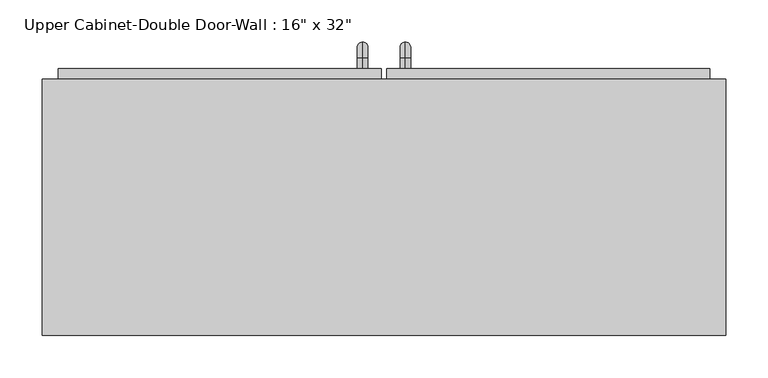
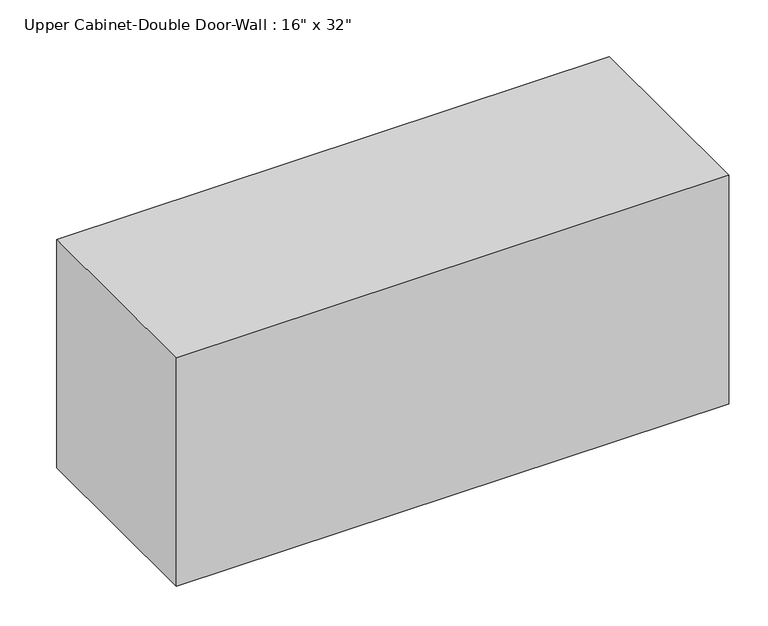
"""IFC4 building model written with IfcOpenShell, lengths in millimetres: furniture geometry."""

import ifcopenshell
import ifcopenshell.guid

model = None  # the IFC model being written
_history = None  # IfcOwnerHistory: only IFC2X3 demands one
_inside = {}  # id of a spatial element -> (the spatial element, [elements in it])
_under = {}  # id of a project, library or spatial element -> (it, [spatial elements below it])
_declared = {}  # id of a project -> (the project, [libraries it declares])
_typed = {}  # id of a type object -> (the type object, [elements of that type])
_made_of = {}  # id of a material, layer set ... -> (it, [elements and type objects made of it])


def new_model(schema):
    """Start an empty IFC model of exactly this schema.

    Asked for "IFC4X3", IfcOpenShell would pick the latest addendum, in which some entities
    have other attributes; the version numbers below select the first issue.
    IFC2X3 requires an IfcOwnerHistory on every rooted entity: one is made here for all.
    """
    global model, _history
    if schema == "IFC4X3":
        model = ifcopenshell.file(schema_version=(4, 3, 0, 0))
    else:
        model = ifcopenshell.file(schema=schema)
    _inside.clear()
    _under.clear()
    _declared.clear()
    _typed.clear()
    _made_of.clear()
    _history = None
    if model.schema == "IFC2X3":
        org = make("IfcOrganization", Name="unknown")
        user = make(
            "IfcPersonAndOrganization",
            ThePerson=make("IfcPerson", FamilyName="unknown"),
            TheOrganization=org,
        )
        app = make(
            "IfcApplication",
            ApplicationDeveloper=org,
            Version="unknown",
            ApplicationFullName="unknown",
            ApplicationIdentifier="unknown",
        )
        _history = make(
            "IfcOwnerHistory",
            OwningUser=user,
            OwningApplication=app,
            ChangeAction="ADDED",
            CreationDate=0,
        )
    return model


def make(cls, **values):
    """One entity of the class cls with the attributes given. An attribute that is None is left unset."""
    return model.create_entity(
        cls, **{name: value for name, value in values.items() if value is not None}
    )


def rooted(cls, **values):
    """An entity with a GlobalId (a new one), such as an element, a storey or a relation."""
    return make(cls, GlobalId=ifcopenshell.guid.new(), OwnerHistory=_history, **values)


def si_unit(unit_type, name, prefix=None):
    """IfcSIUnit, for example si_unit("LENGTHUNIT", "METRE", prefix="MILLI")."""
    return make("IfcSIUnit", UnitType=unit_type, Prefix=prefix, Name=name)


def assignment(units):
    """IfcUnitAssignment: the units of a project."""
    return None if units is None else make("IfcUnitAssignment", Units=units)


def point(xyz):
    """IfcCartesianPoint."""
    return None if xyz is None else make("IfcCartesianPoint", Coordinates=xyz)


def direction(xyz):
    """IfcDirection."""
    return None if xyz is None else make("IfcDirection", DirectionRatios=xyz)


def frame(location, z_axis=None, x_axis=None):
    """IfcAxis2Placement3D, a coordinate frame: its origin and axes. An axis left out is left unset."""
    return make(
        "IfcAxis2Placement3D",
        Location=point(location),
        Axis=direction(z_axis),
        RefDirection=direction(x_axis),
    )


def origin():
    """The frame at (0, 0, 0) with its axes left unset."""
    return frame((0.0, 0.0, 0.0))


def place(relative_to, where):
    """IfcLocalPlacement: puts the frame where relative to a parent placement (None: the world)."""
    return make(
        "IfcLocalPlacement", PlacementRelTo=relative_to, RelativePlacement=where
    )


def context(
    kind, dimensions, precision=None, world=None, true_north=None, identifier=None
):
    """IfcGeometricRepresentationContext, for example the 3D "Model" context."""
    return make(
        "IfcGeometricRepresentationContext",
        ContextIdentifier=identifier,
        ContextType=kind,
        CoordinateSpaceDimension=dimensions,
        Precision=precision,
        WorldCoordinateSystem=world,
        TrueNorth=true_north,
    )


def project(units=None, contexts=None):
    """IfcProject with its units and contexts."""
    return rooted(
        "IfcProject",
        Name="project",
        RepresentationContexts=contexts,
        UnitsInContext=assignment(units),
    )


def spatial(cls, under=None, at=None, **own):
    """A site, building, storey or space (cls), placed at a placement, below another one or the project."""
    s = rooted(cls, ObjectPlacement=at, **own)
    if under is not None:
        _under.setdefault(under.id(), (under, []))[1].append(s)
    return s


def polyline(points):
    """IfcPolyline through the points."""
    return make("IfcPolyline", Points=[point(p) for p in points])


def circle_curve(where, radius):
    """IfcCircle in the frame where."""
    return make("IfcCircle", Position=where, Radius=radius)


def ellipse_curve(where, semi_axis1, semi_axis2):
    """IfcEllipse in the frame where."""
    return make(
        "IfcEllipse", Position=where, SemiAxis1=semi_axis1, SemiAxis2=semi_axis2
    )


def trimmed(basis, trim1, trim2, sense, master):
    """IfcTrimmedCurve: the piece of a basis curve between two trims."""
    return make(
        "IfcTrimmedCurve",
        BasisCurve=basis,
        Trim1=trim1,
        Trim2=trim2,
        SenseAgreement=sense,
        MasterRepresentation=master,
    )


def outline(outer, holes=None, kind="AREA"):
    """IfcArbitraryClosedProfileDef: a profile drawn as a closed curve; with holes, ...WithVoids."""
    if holes is None:
        return make("IfcArbitraryClosedProfileDef", ProfileType=kind, OuterCurve=outer)
    return make(
        "IfcArbitraryProfileDefWithVoids",
        ProfileType=kind,
        OuterCurve=outer,
        InnerCurves=holes,
    )


def extrude(swept, where, along, depth):
    """IfcExtrudedAreaSolid: the profile swept, set in the frame where, extruded along a direction by depth."""
    return make(
        "IfcExtrudedAreaSolid",
        SweptArea=swept,
        Position=where,
        ExtrudedDirection=direction(along),
        Depth=depth,
    )


def faces_of(points, faces, orient=None, outer=None):
    """IfcFace entities. A face is a list of loops; a loop is a list of indices into points, from 0.

    orient and outer hold one flag for each loop. By default every Orientation is true, the
    first loop of a face is its IfcFaceOuterBound and the others are IfcFaceBound.
    """
    made = []
    for i, loops in enumerate(faces):
        bounds = []
        for j, loop in enumerate(loops):
            is_outer = j == 0 if outer is None else outer[i][j]
            bounds.append(
                make(
                    "IfcFaceOuterBound" if is_outer else "IfcFaceBound",
                    Bound=make("IfcPolyLoop", Polygon=[points[k] for k in loop]),
                    Orientation=True if orient is None else orient[i][j],
                )
            )
        made.append(make("IfcFace", Bounds=bounds))
    return made


def faceted_brep(points, faces, orient=None, outer=None, voids=None):
    """IfcFacetedBrep: a solid bounded by flat faces; with voids (closed shells), ...WithVoids."""
    shared = [point(p) for p in points]
    hull = make("IfcClosedShell", CfsFaces=faces_of(shared, faces, orient, outer))
    if voids is None:
        return make("IfcFacetedBrep", Outer=hull)
    return make(
        "IfcFacetedBrepWithVoids",
        Outer=hull,
        Voids=[
            make(cls, CfsFaces=faces_of(shared, fs, o, b)) for cls, fs, o, b in voids
        ],
    )


def shape(context_of_items, identifier, shape_type, items):
    """IfcShapeRepresentation: the items that make up one representation, for example the "Body"."""
    return make(
        "IfcShapeRepresentation",
        ContextOfItems=context_of_items,
        RepresentationIdentifier=identifier,
        RepresentationType=shape_type,
        Items=items,
    )


def source(mapping_origin, context_of_items, identifier, shape_type, items):
    """IfcRepresentationMap: a shape defined once, which mapped items show again and again."""
    return make(
        "IfcRepresentationMap",
        MappingOrigin=mapping_origin,
        MappedRepresentation=shape(context_of_items, identifier, shape_type, items),
    )


def transform(
    local_origin,
    x_axis=None,
    y_axis=None,
    z_axis=None,
    scale=None,
    scale2=None,
    scale3=None,
    uniform=True,
):
    """IfcCartesianTransformationOperator3D, or its non-uniform kind. x_axis, y_axis, z_axis: its Axis1, 2, 3."""
    if uniform:
        return make(
            "IfcCartesianTransformationOperator3D",
            Axis1=direction(x_axis),
            Axis2=direction(y_axis),
            LocalOrigin=point(local_origin),
            Scale=scale,
            Axis3=direction(z_axis),
        )
    return make(
        "IfcCartesianTransformationOperator3DnonUniform",
        Axis1=direction(x_axis),
        Axis2=direction(y_axis),
        LocalOrigin=point(local_origin),
        Scale=scale,
        Axis3=direction(z_axis),
        Scale2=scale2,
        Scale3=scale3,
    )


def mapped(mapping_source, mapping_target):
    """IfcMappedItem: shows the shape of a source again, moved by a transform."""
    return make(
        "IfcMappedItem", MappingSource=mapping_source, MappingTarget=mapping_target
    )


def made_of(thing, what):
    """Note that an element or type object is made of a material, layer set ...; save() writes the relation."""
    if what is not None:
        _made_of.setdefault(what.id(), (what, []))[1].append(thing)
    return thing


def element(
    cls,
    number,
    at=None,
    inside=None,
    cuts=None,
    type_object=None,
    material=None,
    context=None,
    identifier="Body",
    shape_type=None,
    held_by="IfcProductDefinitionShape",
    body=None,
    shapes=None,
    **own,
):
    """One element of the class cls, such as IfcWall. Its Tag is "e" and its number.

    at: its placement. inside: the storey or other place that contains it. cuts: it is an
    opening in that element (IfcRelVoidsElement). A single representation is given by context,
    identifier, shape_type and body (its items); several are given by shapes. held_by: the class
    of the entity that holds the representations. save() writes the other relations.
    """
    e = rooted(cls, Tag="e%d" % number, ObjectPlacement=at, **own)
    if body is not None:
        shapes = [shape(context, identifier, shape_type, body)]
    if shapes is not None:
        e.Representation = make(held_by, Representations=shapes)
    if inside is not None:
        _inside.setdefault(inside.id(), (inside, []))[1].append(e)
    if cuts is not None:
        rooted(
            "IfcRelVoidsElement", RelatingBuildingElement=cuts, RelatedOpeningElement=e
        )
    if type_object is not None:
        _typed.setdefault(type_object.id(), (type_object, []))[1].append(e)
    return made_of(e, material)


def aggregate(whole, parts):
    """IfcRelAggregates: a whole, such as a stair, and the parts it consists of."""
    return rooted("IfcRelAggregates", RelatingObject=whole, RelatedObjects=parts)


def save(model, path):
    """Write the relations noted so far, then the file.

    IfcRelAggregates (storeys below a building ...), IfcRelContainedInSpatialStructure (elements
    in a storey), IfcRelDefinesByType, IfcRelAssociatesMaterial and IfcRelDeclares: one each for
    every whole, place, type object, material and project.
    """
    for whole, parts in _under.values():
        aggregate(whole, parts)
    for where, things in _inside.values():
        rooted(
            "IfcRelContainedInSpatialStructure",
            RelatedElements=things,
            RelatingStructure=where,
        )
    for kind, things in _typed.values():
        rooted("IfcRelDefinesByType", RelatedObjects=things, RelatingType=kind)
    for what, things in _made_of.values():
        rooted("IfcRelAssociatesMaterial", RelatedObjects=things, RelatingMaterial=what)
    for by, libraries in _declared.values():
        rooted("IfcRelDeclares", RelatingContext=by, RelatedDefinitions=libraries)
    model.write(path)


def plane_surface(at):
    """IfcPlane: the flat surface through the origin of the frame at, square to its z axis."""
    return make("IfcPlane", Position=at)


def cylinder_surface(at, radius):
    """IfcCylindricalSurface: all points at the distance radius from the z axis of the frame at."""
    return make("IfcCylindricalSurface", Position=at, Radius=radius)


def revolved_surface(curve, axis_point, axis_direction):
    """IfcSurfaceOfRevolution: the curve turned about the line through axis_point along axis_direction."""
    return make(
        "IfcSurfaceOfRevolution",
        SweptCurve=make("IfcArbitraryOpenProfileDef", ProfileType="CURVE", Curve=curve),
        AxisPosition=make("IfcAxis1Placement", Location=point(axis_point), Axis=direction(axis_direction)),
    )


def advanced_brep(points, edges, surfaces, faces):
    """IfcAdvancedBrep: a solid bounded by faces that lie on surfaces and meet in shared edges.

    An edge is (start, end): straight between two places in points (the first is 0);
    or (start, end, curve); or (start, end, curve, False) where it runs against its curve.
    A face is (place in surfaces, loops), or (place, loops, False) where it looks against
    its surface's normal. A loop lists edges by number (the first is 1), with a minus sign
    where the edge is run from its end to its start. The first loop is the outer one.
    """
    corners = [point(p) for p in points]
    vertices = [make("IfcVertexPoint", VertexGeometry=c) for c in corners]
    made = []
    for start, end, *more in edges:
        made.append(
            make(
                "IfcEdgeCurve",
                EdgeStart=vertices[start],
                EdgeEnd=vertices[end],
                EdgeGeometry=more[0] if more else make("IfcPolyline", Points=[corners[start], corners[end]]),
                SameSense=more[1] if len(more) > 1 else True,
            )
        )
    hull = []
    for where, loops, *sense in faces:
        bounds = []
        for j, loop in enumerate(loops):
            ring = [make("IfcOrientedEdge", EdgeElement=made[abs(k) - 1], Orientation=k > 0) for k in loop]
            bounds.append(
                make(
                    "IfcFaceOuterBound" if j == 0 else "IfcFaceBound",
                    Bound=make("IfcEdgeLoop", EdgeList=ring),
                    Orientation=True,
                )
            )
        hull.append(make("IfcAdvancedFace", Bounds=bounds, FaceSurface=surfaces[where], SameSense=sense[0] if sense else True))
    return make("IfcAdvancedBrep", Outer=make("IfcClosedShell", CfsFaces=hull))


def furniture_abfc2b87(model_context):
    return source(origin(), model_context, "Body", "SolidModel", [
        faceted_brep([(-376.6288372, 53.975, 2133.6), (-376.6288372, 53.975, 1778.0), (436.1711628, 53.975, 1778.0), (436.1711628, 53.975, 2133.6), (-376.6288372, 358.775, 2133.6), (436.1711628, 358.775, 2133.6), (436.1711628, 358.775, 1778.0), (-376.6288372, 358.775, 1778.0), (-357.5788372, 358.775, 2114.55), (-357.5788372, 358.775, 1797.05), (417.1211628, 358.775, 1797.05), (417.1211628, 358.775, 2114.55), (417.1211628, 73.025, 2114.55), (-357.5788372, 73.025, 2114.55), (417.1211628, 73.025, 1797.05), (-357.5788372, 73.025, 1797.05)], [[[0, 1, 2, 3]], [[4, 5, 6, 7], [8, 9, 10, 11]], [[1, 0, 4, 7]], [[2, 1, 7, 6]], [[3, 2, 6, 5]], [[0, 3, 5, 4]], [[8, 11, 12, 13]], [[11, 10, 14, 12]], [[10, 9, 15, 14]], [[9, 8, 13, 15]], [[13, 12, 14, 15]]]),
        advanced_brep(
        [(55.1711628, 371.475, 1924.05), (55.1711628, 371.475, 1936.75), (55.1711628, 384.175, 1924.05), (55.1711628, 384.175, 1936.75), (55.1711628, 403.225, 1917.7), (55.1711628, 390.525, 1917.7), (55.1711628, 390.525, 1841.5), (55.1711628, 403.225, 1841.5), (55.1711628, 384.175, 1822.45), (55.1711628, 384.175, 1835.15), (55.1711628, 371.475, 1835.15), (55.1711628, 371.475, 1822.45)],
        [
            (0, 1, circle_curve(frame((55.1711628, 371.475, 1930.4), z_axis=(0.0, -1.0, 0.0), x_axis=(0.0, 0.0, -1.0)), 6.35)),
            (1, 0, circle_curve(frame((55.1711628, 371.475, 1930.4), z_axis=(0.0, -1.0, 0.0), x_axis=(0.0, 0.0, -1.0)), 6.35)),
            (0, 2),
            (2, 3, circle_curve(frame((55.1711628, 384.175, 1930.4), z_axis=(0.0, -1.0, 0.0), x_axis=(0.0, 0.0, -1.0)), 6.35)),
            (3, 1),
            (3, 2, circle_curve(frame((55.1711628, 384.175, 1930.4), z_axis=(0.0, -1.0, 0.0), x_axis=(0.0, 0.0, -1.0)), 6.35)),
            (4, 3, circle_curve(frame((55.1711628, 384.175, 1917.7), z_axis=(1.0, 0.0, 0.0), x_axis=(0.0, 0.0, 1.0)), 19.05)),
            (2, 5, circle_curve(frame((55.1711628, 384.175, 1917.7), z_axis=(-1.0, 0.0, 0.0), x_axis=(0.0, 0.0, 1.0)), 6.35)),
            (5, 4, circle_curve(frame((55.1711628, 396.875, 1917.7), z_axis=(0.0, 0.0, 1.0), x_axis=(0.0, -1.0, 0.0)), 6.35)),
            (4, 5, circle_curve(frame((55.1711628, 396.875, 1917.7), z_axis=(0.0, 0.0, 1.0), x_axis=(0.0, -1.0, 0.0)), 6.35)),
            (5, 6),
            (6, 7, circle_curve(frame((55.1711628, 396.875, 1841.5), z_axis=(0.0, 0.0, 1.0), x_axis=(0.0, -1.0, 0.0)), 6.35)),
            (7, 4),
            (7, 6, circle_curve(frame((55.1711628, 396.875, 1841.5), z_axis=(0.0, 0.0, 1.0), x_axis=(0.0, -1.0, 0.0)), 6.35)),
            (8, 7, circle_curve(frame((55.1711628, 384.175, 1841.5), z_axis=(1.0, 0.0, 0.0), x_axis=(0.0, 1.0, 0.0)), 19.05)),
            (6, 9, circle_curve(frame((55.1711628, 384.175, 1841.5), z_axis=(-1.0, 0.0, 0.0), x_axis=(0.0, 1.0, 0.0)), 6.35)),
            (9, 8, circle_curve(frame((55.1711628, 384.175, 1828.8), z_axis=(0.0, 1.0, 0.0), x_axis=(0.0, 0.0, 1.0)), 6.35)),
            (8, 9, circle_curve(frame((55.1711628, 384.175, 1828.8), z_axis=(0.0, 1.0, 0.0), x_axis=(0.0, 0.0, 1.0)), 6.35)),
            (10, 11, circle_curve(frame((55.1711628, 371.475, 1828.8), z_axis=(0.0, -1.0, 0.0), x_axis=(0.0, 0.0, 1.0)), 6.35)),
            (11, 10, circle_curve(frame((55.1711628, 371.475, 1828.8), z_axis=(0.0, -1.0, 0.0), x_axis=(0.0, 0.0, 1.0)), 6.35)),
            (9, 10),
            (11, 8),
        ],
        [
            plane_surface(frame((48.8211628, 371.475, 1930.4), z_axis=(0.0, -1.0, 0.0), x_axis=(0.0, 0.0, 1.0))),
            cylinder_surface(frame((55.1711628, 371.475, 1930.4), z_axis=(0.0, -1.0, 0.0), x_axis=(0.0, 0.0, -1.0)), 6.35),
            revolved_surface(trimmed(ellipse_curve(frame((55.1711628, 384.175, 1930.4), z_axis=(0.0, -1.0, 0.0), x_axis=(0.0, 0.0, -1.0)), 6.35, 6.35), [point((55.1711628, 384.175, 1924.05))], [point((55.1711628, 384.175, 1936.75))], True, "CARTESIAN"), (55.1711628, 384.175, 1917.7), (-1.0, 0.0, 0.0)),
            revolved_surface(trimmed(ellipse_curve(frame((55.1711628, 384.175, 1930.4), z_axis=(0.0, -1.0, 0.0), x_axis=(0.0, 0.0, -1.0)), 6.35, 6.35), [point((55.1711628, 384.175, 1936.75))], [point((55.1711628, 384.175, 1924.05))], True, "CARTESIAN"), (55.1711628, 384.175, 1917.7), (-1.0, 0.0, 0.0)),
            cylinder_surface(frame((55.1711628, 396.875, 1917.7), z_axis=(0.0, 0.0, 1.0), x_axis=(0.0, -1.0, 0.0)), 6.35),
            revolved_surface(trimmed(ellipse_curve(frame((55.1711628, 396.875, 1841.5), z_axis=(0.0, 0.0, 1.0), x_axis=(0.0, -1.0, 0.0)), 6.35, 6.35), [point((55.1711628, 390.525, 1841.5))], [point((55.1711628, 403.225, 1841.5))], True, "CARTESIAN"), (55.1711628, 384.175, 1841.5), (-1.0, 0.0, 0.0)),
            revolved_surface(trimmed(ellipse_curve(frame((55.1711628, 396.875, 1841.5), z_axis=(0.0, 0.0, 1.0), x_axis=(0.0, -1.0, 0.0)), 6.35, 6.35), [point((55.1711628, 403.225, 1841.5))], [point((55.1711628, 390.525, 1841.5))], True, "CARTESIAN"), (55.1711628, 384.175, 1841.5), (-1.0, 0.0, 0.0)),
            plane_surface(frame((48.8211628, 371.475, 1828.8), z_axis=(0.0, -1.0, 0.0), x_axis=(0.0, 0.0, -1.0))),
            cylinder_surface(frame((55.1711628, 384.175, 1828.8), z_axis=(0.0, 1.0, 0.0), x_axis=(0.0, 0.0, 1.0)), 6.35),
        ],
        [
            (0, [[1, 2]]),
            (1, [[-1, 3, 4, 5]]),
            (1, [[-2, -5, 6, -3]]),
            (2, [[7, -4, 8, 9]]),
            (3, [[-8, -6, -7, 10]]),
            (4, [[-9, 11, 12, 13]]),
            (4, [[-10, -13, 14, -11]]),
            (5, [[15, -12, 16, 17]]),
            (6, [[-16, -14, -15, 18]]),
            (7, [[19, 20]]),
            (8, [[-17, 21, -20, 22]]),
            (8, [[-18, -22, -19, -21]]),
        ],
    ),
        advanced_brep(
        [(4.3711628, 371.475, 1924.05), (4.3711628, 371.475, 1936.75), (4.3711628, 384.175, 1924.05), (4.3711628, 384.175, 1936.75), (4.3711628, 403.225, 1917.7), (4.3711628, 390.525, 1917.7), (4.3711628, 390.525, 1841.5), (4.3711628, 403.225, 1841.5), (4.3711628, 384.175, 1822.45), (4.3711628, 384.175, 1835.15), (4.3711628, 371.475, 1835.15), (4.3711628, 371.475, 1822.45)],
        [
            (0, 1, circle_curve(frame((4.3711628, 371.475, 1930.4), z_axis=(0.0, -1.0, 0.0), x_axis=(0.0, 0.0, 1.0)), 6.35)),
            (1, 0, circle_curve(frame((4.3711628, 371.475, 1930.4), z_axis=(0.0, -1.0, 0.0), x_axis=(0.0, 0.0, 1.0)), 6.35)),
            (0, 2),
            (2, 3, circle_curve(frame((4.3711628, 384.175, 1930.4), z_axis=(0.0, -1.0, 0.0), x_axis=(0.0, 0.0, 1.0)), 6.35)),
            (3, 1),
            (3, 2, circle_curve(frame((4.3711628, 384.175, 1930.4), z_axis=(0.0, -1.0, 0.0), x_axis=(0.0, 0.0, 1.0)), 6.35)),
            (4, 3, circle_curve(frame((4.3711628, 384.175, 1917.7), z_axis=(1.0, 0.0, 0.0), x_axis=(0.0, 0.0, 1.0)), 19.05)),
            (2, 5, circle_curve(frame((4.3711628, 384.175, 1917.7), z_axis=(-1.0, 0.0, 0.0), x_axis=(0.0, 0.0, 1.0)), 6.35)),
            (5, 4, circle_curve(frame((4.3711628, 396.875, 1917.7), z_axis=(0.0, 0.0, 1.0), x_axis=(0.0, 1.0, 0.0)), 6.35)),
            (4, 5, circle_curve(frame((4.3711628, 396.875, 1917.7), z_axis=(0.0, 0.0, 1.0), x_axis=(0.0, 1.0, 0.0)), 6.35)),
            (5, 6),
            (6, 7, circle_curve(frame((4.3711628, 396.875, 1841.5), z_axis=(0.0, 0.0, 1.0), x_axis=(0.0, 1.0, 0.0)), 6.35)),
            (7, 4),
            (7, 6, circle_curve(frame((4.3711628, 396.875, 1841.5), z_axis=(0.0, 0.0, 1.0), x_axis=(0.0, 1.0, 0.0)), 6.35)),
            (8, 7, circle_curve(frame((4.3711628, 384.175, 1841.5), z_axis=(1.0, 0.0, 0.0), x_axis=(0.0, 1.0, 0.0)), 19.05)),
            (6, 9, circle_curve(frame((4.3711628, 384.175, 1841.5), z_axis=(-1.0, 0.0, 0.0), x_axis=(0.0, 1.0, 0.0)), 6.35)),
            (9, 8, circle_curve(frame((4.3711628, 384.175, 1828.8), z_axis=(0.0, 1.0, 0.0), x_axis=(0.0, 0.0, -1.0)), 6.35)),
            (8, 9, circle_curve(frame((4.3711628, 384.175, 1828.8), z_axis=(0.0, 1.0, 0.0), x_axis=(0.0, 0.0, -1.0)), 6.35)),
            (10, 11, circle_curve(frame((4.3711628, 371.475, 1828.8), z_axis=(0.0, -1.0, 0.0), x_axis=(0.0, 0.0, -1.0)), 6.35)),
            (11, 10, circle_curve(frame((4.3711628, 371.475, 1828.8), z_axis=(0.0, -1.0, 0.0), x_axis=(0.0, 0.0, -1.0)), 6.35)),
            (9, 10),
            (11, 8),
        ],
        [
            plane_surface(frame((-1.9788372, 371.475, 1930.4), z_axis=(0.0, -1.0, 0.0), x_axis=(0.0, 0.0, 1.0))),
            cylinder_surface(frame((4.3711628, 371.475, 1930.4), z_axis=(0.0, -1.0, 0.0), x_axis=(0.0, 0.0, 1.0)), 6.35),
            revolved_surface(trimmed(ellipse_curve(frame((4.3711628, 384.175, 1930.4), z_axis=(0.0, -1.0, 0.0), x_axis=(0.0, 0.0, 1.0)), 6.35, 6.35), [point((4.3711628, 384.175, 1924.05))], [point((4.3711628, 384.175, 1936.75))], True, "CARTESIAN"), (4.3711628, 384.175, 1917.7), (-1.0, 0.0, 0.0)),
            revolved_surface(trimmed(ellipse_curve(frame((4.3711628, 384.175, 1930.4), z_axis=(0.0, -1.0, 0.0), x_axis=(0.0, 0.0, 1.0)), 6.35, 6.35), [point((4.3711628, 384.175, 1936.75))], [point((4.3711628, 384.175, 1924.05))], True, "CARTESIAN"), (4.3711628, 384.175, 1917.7), (-1.0, 0.0, 0.0)),
            cylinder_surface(frame((4.3711628, 396.875, 1917.7), z_axis=(0.0, 0.0, 1.0), x_axis=(0.0, 1.0, 0.0)), 6.35),
            revolved_surface(trimmed(ellipse_curve(frame((4.3711628, 396.875, 1841.5), z_axis=(0.0, 0.0, 1.0), x_axis=(0.0, 1.0, 0.0)), 6.35, 6.35), [point((4.3711628, 390.525, 1841.5))], [point((4.3711628, 403.225, 1841.5))], True, "CARTESIAN"), (4.3711628, 384.175, 1841.5), (-1.0, 0.0, 0.0)),
            revolved_surface(trimmed(ellipse_curve(frame((4.3711628, 396.875, 1841.5), z_axis=(0.0, 0.0, 1.0), x_axis=(0.0, 1.0, 0.0)), 6.35, 6.35), [point((4.3711628, 403.225, 1841.5))], [point((4.3711628, 390.525, 1841.5))], True, "CARTESIAN"), (4.3711628, 384.175, 1841.5), (-1.0, 0.0, 0.0)),
            plane_surface(frame((-1.9788372, 371.475, 1828.8), z_axis=(0.0, -1.0, 0.0), x_axis=(0.0, 0.0, -1.0))),
            cylinder_surface(frame((4.3711628, 384.175, 1828.8), z_axis=(0.0, 1.0, 0.0), x_axis=(0.0, 0.0, -1.0)), 6.35),
        ],
        [
            (0, [[1, 2]]),
            (1, [[-1, 3, 4, 5]]),
            (1, [[-2, -5, 6, -3]]),
            (2, [[7, -4, 8, 9]]),
            (3, [[-8, -6, -7, 10]]),
            (4, [[-9, 11, 12, 13]]),
            (4, [[-10, -13, 14, -11]]),
            (5, [[15, -12, 16, 17]]),
            (6, [[-16, -14, -15, 18]]),
            (7, [[19, 20]]),
            (8, [[-17, 21, -20, 22]]),
            (8, [[-18, -22, -19, -21]]),
        ],
    ),
        extrude(outline(polyline([(32.9461628, 371.475), (417.1211628, 371.475), (417.1211628, 339.725), (32.9461628, 339.725), (32.9461628, 371.475)])), frame((0.0, 0.0, 1797.05), z_axis=(0.0, 0.0, 1.0), x_axis=(1.0, 0.0, 0.0)), (0.0, 0.0, 1.0), 317.5),
        extrude(outline(polyline([(-357.5788372, 371.475), (26.5961628, 371.475), (26.5961628, 339.725), (-357.5788372, 339.725), (-357.5788372, 371.475)])), frame((0.0, 0.0, 1797.05), z_axis=(0.0, 0.0, 1.0), x_axis=(1.0, 0.0, 0.0)), (0.0, 0.0, 1.0), 317.5),
    ])


if __name__ == "__main__":
    model = new_model("IFC4")
    model_context = context("Model", 3, world=origin())
    ifc_project = project(units=[si_unit("LENGTHUNIT", "METRE", prefix="MILLI")], contexts=[model_context])
    site = spatial("IfcSite", under=ifc_project)
    building = spatial("IfcBuilding", under=site)
    placement = place(None, origin())
    furniture_shape = furniture_abfc2b87(model_context)
    element("IfcFurniture", 1, ObjectType="Upper Cabinet-Double Door-Wall : 16\" x 32\"", at=placement, inside=building, context=model_context, shape_type="MappedRepresentation", body=[
        mapped(furniture_shape, transform((0.0, 0.0, 0.0), x_axis=(1.0, 0.0, 0.0), y_axis=(0.0, 1.0, 0.0), z_axis=(0.0, 0.0, 1.0))),
    ])
    save(model, "model.ifc")
